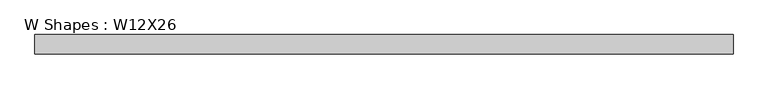
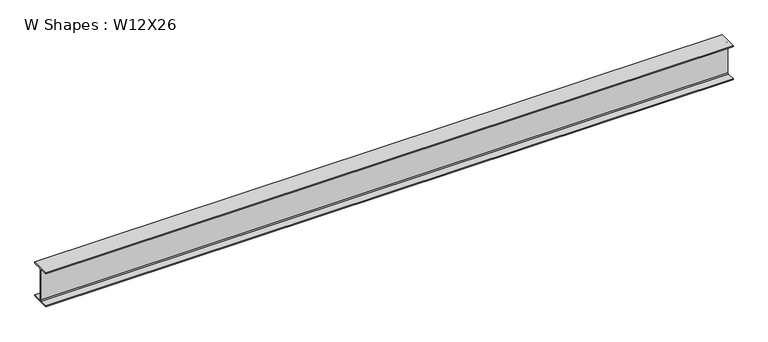
"""IFC4 building model written with IfcOpenShell, lengths in millimetres: beam geometry, W Shapes : W12X26."""

from ifc_helpers import new_model, si_unit, point, frame, frame_2d, origin, place, context, project, spatial, polyline, circle_curve, trimmed, segment, composite_curve, outline, extrude, source, transform, mapped, element, save


def w_shapes_w12x26_0fdedbd2(model_context):
    return source(origin(), model_context, "Body", "SweptSolid", [
        extrude(outline(composite_curve([segment(polyline([(82.423, -145.288), (82.423, -154.94), (-82.423, -154.94), (-82.423, -145.288), (-10.541, -145.288)]), True, "CONTINUOUS"), segment(trimmed(circle_curve(frame_2d((-10.541, -137.668)), 7.62), [point((-10.541, -145.288))], [point((-2.921, -137.668))], True, "CARTESIAN"), True, "CONTINUOUS"), segment(polyline([(-2.921, -137.668), (-2.921, 137.668)]), True, "CONTINUOUS"), segment(trimmed(circle_curve(frame_2d((-10.541, 137.668)), 7.62), [point((-2.921, 137.668))], [point((-10.541, 145.288))], True, "CARTESIAN"), True, "CONTINUOUS"), segment(polyline([(-10.541, 145.288), (-82.423, 145.288), (-82.423, 154.94), (82.423, 154.94), (82.423, 145.288), (10.541, 145.288)]), True, "CONTINUOUS"), segment(trimmed(circle_curve(frame_2d((10.541, 137.668)), 7.62), [point((10.541, 145.288))], [point((2.921, 137.668))], True, "CARTESIAN"), True, "CONTINUOUS"), segment(polyline([(2.921, 137.668), (2.921, -137.668)]), True, "CONTINUOUS"), segment(trimmed(circle_curve(frame_2d((10.541, -137.668)), 7.62), [point((2.921, -137.668))], [point((10.541, -145.288))], True, "CARTESIAN"), True, "CONTINUOUS"), segment(polyline([(10.541, -145.288), (82.423, -145.288)]), True, "CONTINUOUS")], self_intersect=False)), frame((-2959.1, 0.0, 0.0), z_axis=(1.0, 0.0, 0.0), x_axis=(0.0, 1.0, 0.0)), (0.0, 0.0, 1.0), 5927.0900006),
    ])


if __name__ == "__main__":
    model = new_model("IFC4")
    model_context = context("Model", 3, world=origin())
    ifc_project = project(units=[si_unit("LENGTHUNIT", "METRE", prefix="MILLI")], contexts=[model_context])
    site = spatial("IfcSite", under=ifc_project)
    building = spatial("IfcBuilding", under=site)
    placement = place(None, origin())
    w_shapes_w12x26_shape = w_shapes_w12x26_0fdedbd2(model_context)
    element("IfcBeam", 1, ObjectType="W Shapes : W12X26", at=placement, inside=building, context=model_context, shape_type="MappedRepresentation", body=[
        mapped(w_shapes_w12x26_shape, transform((0.0, 0.0, 0.0), x_axis=(1.0, 0.0, 0.0), y_axis=(0.0, 1.0, 0.0), z_axis=(0.0, 0.0, 1.0))),
    ])
    save(model, "model.ifc")
